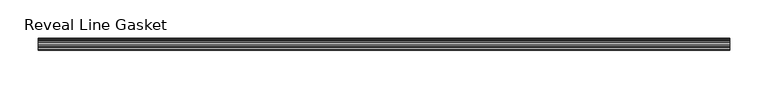
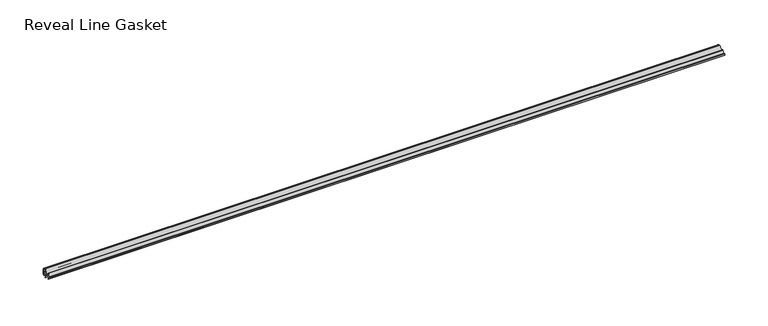
"""IFC4 building model written with IfcOpenShell, lengths in millimetres: furniture geometry, Reveal Line Gasket."""

from ifc_helpers import new_model, si_unit, point, frame, frame_2d, origin, place, context, project, spatial, polyline, circle_curve, trimmed, segment, composite_curve, outline, extrude, source, transform, mapped, element, save


def reveal_line_gasket_00b5c2a2(model_context):
    return source(origin(), model_context, "Body", "SweptSolid", [
        extrude(outline(composite_curve([segment(polyline([(7.6326998, 1603.2), (7.6326998, 1597.2), (7.4091917, 1596.2445073), (6.8813059, 1595.3115316)]), True, "CONTINUOUS"), segment(trimmed(circle_curve(frame_2d((6.5243141, 1595.5135207)), 0.4101739), [point((6.8813059, 1595.3115316))], [point((6.1246704, 1595.6058653))], False, "CARTESIAN"), True, "CONTINUOUS"), segment(polyline([(6.1246704, 1595.6058653), (6.3626997, 1597.3020914), (6.3626997, 1599.3345473)]), True, "CONTINUOUS"), segment(trimmed(circle_curve(frame_2d((5.6959605, 1598.9180742)), 0.786124), [point((6.3626997, 1599.3345473))], [point((5.0926996, 1599.422125))], True, "CARTESIAN"), True, "CONTINUOUS"), segment(polyline([(5.0926996, 1599.422125), (0.7492996, 1599.422125), (3.7293824, 1594.2604705)]), True, "CONTINUOUS"), segment(trimmed(circle_curve(frame_2d((3.3132479, 1594.1950239)), 0.4212495), [point((3.7293824, 1594.2604705))], [point((3.0485022, 1593.8673642))], False, "CARTESIAN"), True, "CONTINUOUS"), segment(polyline([(3.0485022, 1593.8673642), (-0.5742594, 1599.422125), (-4.8262978, 1599.422125), (-3.1660374, 1596.5464703)]), True, "CONTINUOUS"), segment(trimmed(circle_curve(frame_2d((-3.5978728, 1596.4881145)), 0.4357605), [point((-3.1660374, 1596.5464703))], [point((-3.864328, 1596.1433119))], False, "CARTESIAN"), True, "CONTINUOUS"), segment(polyline([(-3.864328, 1596.1433119), (-6.1944059, 1599.422125), (-7.6326998, 1599.422125), (-7.6326998, 1600.977875), (-6.1944059, 1600.977875), (-3.864328, 1604.2566881)]), True, "CONTINUOUS"), segment(trimmed(circle_curve(frame_2d((-3.5978728, 1603.9118855)), 0.4357605), [point((-3.864328, 1604.2566881))], [point((-3.1660374, 1603.8535297))], False, "CARTESIAN"), True, "CONTINUOUS"), segment(polyline([(-3.1660374, 1603.8535297), (-4.8262978, 1600.977875), (-0.5742594, 1600.977875), (3.0485022, 1606.5326358)]), True, "CONTINUOUS"), segment(trimmed(circle_curve(frame_2d((3.3132479, 1606.2049761)), 0.4212495), [point((3.0485022, 1606.5326358))], [point((3.7293824, 1606.1395295))], False, "CARTESIAN"), True, "CONTINUOUS"), segment(polyline([(3.7293824, 1606.1395295), (0.7492996, 1600.977875), (5.0926996, 1600.977875)]), True, "CONTINUOUS"), segment(trimmed(circle_curve(frame_2d((5.6959605, 1601.4819258)), 0.786124), [point((5.0926996, 1600.977875))], [point((6.3626997, 1601.0654527))], True, "CARTESIAN"), True, "CONTINUOUS"), segment(polyline([(6.3626997, 1601.0654527), (6.3626997, 1603.0979086), (6.1246704, 1604.7941347)]), True, "CONTINUOUS"), segment(trimmed(circle_curve(frame_2d((6.5243141, 1604.8864793)), 0.4101739), [point((6.1246704, 1604.7941347))], [point((6.8813059, 1605.0884684))], False, "CARTESIAN"), True, "CONTINUOUS"), segment(polyline([(6.8813059, 1605.0884684), (7.4091917, 1604.1554927), (7.6326998, 1603.2)]), True, "CONTINUOUS")], self_intersect=False)), frame((-448.9044872, 0.0, 0.0), z_axis=(1.0, 0.0, 0.0), x_axis=(0.0, 1.0, 0.0)), (0.0, 0.0, 1.0), 897.8089744),
    ])


if __name__ == "__main__":
    model = new_model("IFC4")
    model_context = context("Model", 3, world=origin())
    ifc_project = project(units=[si_unit("LENGTHUNIT", "METRE", prefix="MILLI")], contexts=[model_context])
    site = spatial("IfcSite", under=ifc_project)
    building = spatial("IfcBuilding", under=site)
    placement = place(None, origin())
    reveal_line_gasket_shape = reveal_line_gasket_00b5c2a2(model_context)
    element("IfcFurniture", 1, ObjectType="Reveal Line Gasket", at=placement, inside=building, context=model_context, shape_type="MappedRepresentation", body=[
        mapped(reveal_line_gasket_shape, transform((0.0, 0.0, 0.0), x_axis=(1.0, 0.0, 0.0), y_axis=(0.0, 1.0, 0.0), z_axis=(0.0, 0.0, 1.0))),
    ])
    save(model, "model.ifc")
